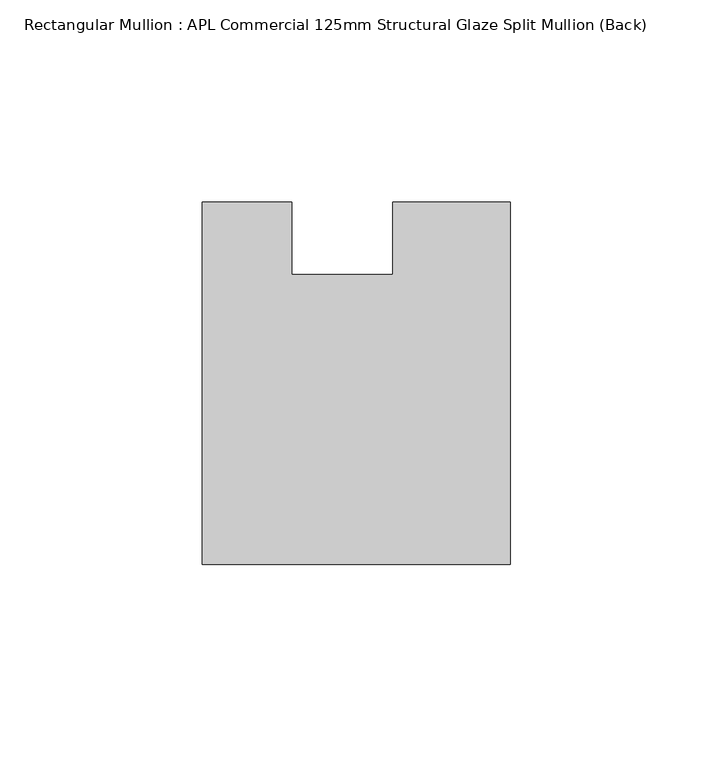
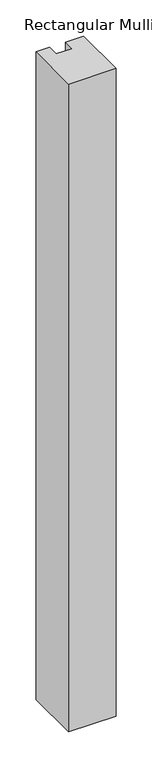
"""IFC4 building model written with IfcOpenShell, lengths in millimetres: member geometry, Rectangular Mullion : APL Commercial 125mm Structural Glaze Split Mullion (Back)."""

from ifc_helpers import new_model, si_unit, frame, origin, place, context, project, spatial, polyline, outline, extrude, source, transform, mapped, element, save


def rectangular_mullion_apl_commercial_125mm_structural_glaze_c24490e1(model_context):
    return source(origin(), model_context, "Body", "SweptSolid", [
        extrude(outline(polyline([(37.9999914, -104.4960123), (-37.9999896, -104.4960123), (-37.9999896, -14.9960123), (-16.0, -14.9960123), (-16.0, -32.7960123), (9.0, -32.7960123), (9.0, -14.9960123), (37.9999914, -14.9960123), (37.9999914, -104.4960123)])), frame((0.0, 0.0, -1092.5024995), z_axis=(0.0, 0.0, 1.0), x_axis=(1.0, 0.0, 0.0)), (0.0, 0.0, 1.0), 1092.5024995),
    ])


if __name__ == "__main__":
    model = new_model("IFC4")
    model_context = context("Model", 3, world=origin())
    ifc_project = project(units=[si_unit("LENGTHUNIT", "METRE", prefix="MILLI")], contexts=[model_context])
    site = spatial("IfcSite", under=ifc_project)
    building = spatial("IfcBuilding", under=site)
    placement = place(None, origin())
    rectangular_mullion_apl_commercial_125mm_structural_glaze_shape = rectangular_mullion_apl_commercial_125mm_structural_glaze_c24490e1(model_context)
    element("IfcMember", 1, ObjectType="Rectangular Mullion : APL Commercial 125mm Structural Glaze Split Mullion (Back)", at=placement, inside=building, context=model_context, shape_type="MappedRepresentation", body=[
        mapped(rectangular_mullion_apl_commercial_125mm_structural_glaze_shape, transform((0.0, 0.0, 0.0), x_axis=(1.0, 0.0, 0.0), y_axis=(0.0, 1.0, 0.0), z_axis=(0.0, 0.0, 1.0))),
    ])
    save(model, "model.ifc")
